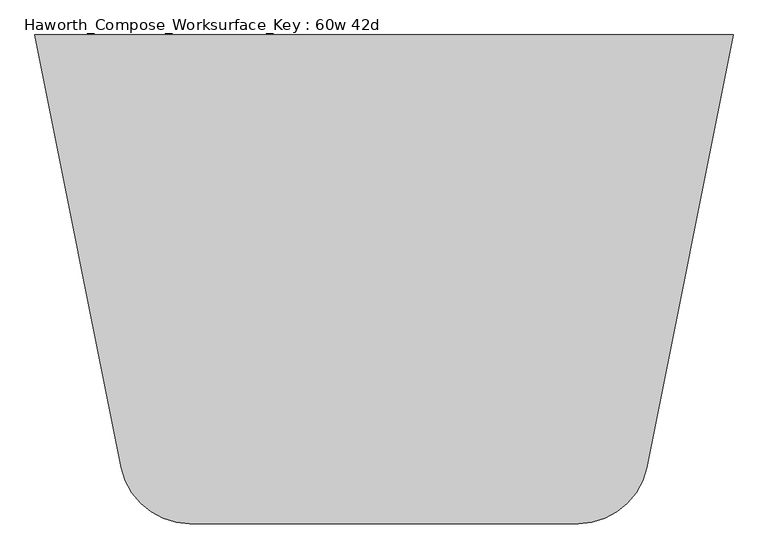
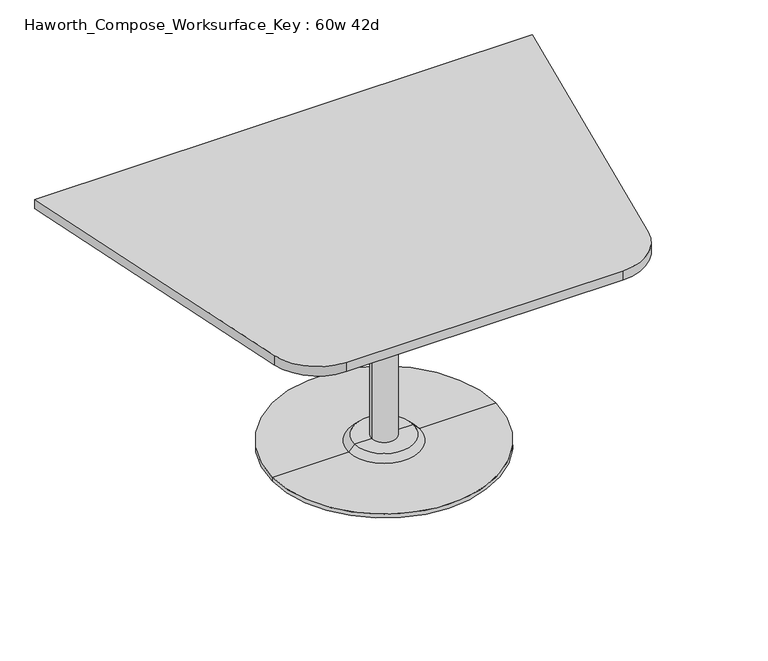
"""IFC4 building model written with IfcOpenShell, lengths in millimetres: furniture geometry, Haworth_Compose_Worksurface_Key : 60w 42d."""

from ifc_helpers import new_model, si_unit, point, frame, frame_2d, origin, place, context, project, spatial, polyline, circle_curve, trimmed, segment, composite_curve, outline, extrude, source, transform, mapped, element, save
from ifc_brep_helpers import plane_surface, cylinder_surface, revolved_surface, advanced_brep


def haworth_compose_worksurface_key_60w_42d_719d9a5f(model_context):
    return source(origin(), model_context, "Body", "SolidModel", [
        advanced_brep(
        [(38.1, 139.7, 706.4375), (-38.1, 139.7, 706.4375), (0.0, 139.7, 706.4375), (38.1, 139.7, 31.75), (-38.1, 139.7, 31.75), (89.723978, 139.7, 31.75), (-89.723978, 139.7, 31.75), (342.9, 139.7, 0.0), (-342.9, 139.7, 0.0), (-342.9, 139.7, 12.7), (342.9, 139.7, 12.7), (0.0, 139.7, 0.0), (108.773978, 139.7, 12.7), (-108.773978, 139.7, 12.7)],
        [
            (0, 1, circle_curve(frame((0.0, 139.7, 706.4375), z_axis=(0.0, 0.0, 1.0), x_axis=(-1.0, 0.0, 0.0)), 38.1)),
            (1, 2),
            (2, 0),
            (1, 0, circle_curve(frame((0.0, 139.7, 706.4375), z_axis=(0.0, 0.0, 1.0), x_axis=(-1.0, 0.0, 0.0)), 38.1)),
            (3, 4, circle_curve(frame((0.0, 139.7, 31.75), z_axis=(0.0, 0.0, 1.0), x_axis=(-1.0, 0.0, 0.0)), 38.1)),
            (4, 1),
            (0, 3),
            (4, 3, circle_curve(frame((0.0, 139.7, 31.75), z_axis=(0.0, 0.0, 1.0), x_axis=(-1.0, 0.0, 0.0)), 38.1)),
            (5, 6, circle_curve(frame((0.0, 139.7, 31.75), z_axis=(0.0, 0.0, 1.0), x_axis=(-1.0, 0.0, 0.0)), 89.723978)),
            (6, 4),
            (3, 5),
            (6, 5, circle_curve(frame((0.0, 139.7, 31.75), z_axis=(0.0, 0.0, 1.0), x_axis=(-1.0, 0.0, 0.0)), 89.723978)),
            (7, 8, circle_curve(frame((0.0, 139.7, 0.0), z_axis=(0.0, 0.0, 1.0), x_axis=(-1.0, 0.0, 0.0)), 342.9)),
            (8, 9),
            (9, 10, circle_curve(frame((0.0, 139.7, 12.7), z_axis=(0.0, 0.0, -1.0), x_axis=(-1.0, 0.0, 0.0)), 342.9)),
            (10, 7),
            (8, 7, circle_curve(frame((0.0, 139.7, 0.0), z_axis=(0.0, 0.0, 1.0), x_axis=(-1.0, 0.0, 0.0)), 342.9)),
            (10, 9, circle_curve(frame((0.0, 139.7, 12.7), z_axis=(0.0, 0.0, -1.0), x_axis=(-1.0, 0.0, 0.0)), 342.9)),
            (11, 8),
            (7, 11),
            (12, 13, circle_curve(frame((0.0, 139.7, 12.7), z_axis=(0.0, 0.0, 1.0), x_axis=(-1.0, 0.0, 0.0)), 108.773978)),
            (13, 6),
            (5, 12),
            (13, 12, circle_curve(frame((0.0, 139.7, 12.7), z_axis=(0.0, 0.0, 1.0), x_axis=(-1.0, 0.0, 0.0)), 108.773978)),
            (9, 13),
            (12, 10),
        ],
        [
            plane_surface(frame((0.0, 139.7, 706.4375), z_axis=(0.0, 0.0, 1.0), x_axis=(-1.0, 0.0, 0.0))),
            cylinder_surface(frame((0.0, 139.7, 889.623257), z_axis=(0.0, 0.0, -1.0), x_axis=(-1.0, 0.0, 0.0)), 38.1),
            plane_surface(frame((0.0, 139.7, 31.75), z_axis=(0.0, 0.0, 1.0), x_axis=(-1.0, 0.0, 0.0))),
            cylinder_surface(frame((0.0, 139.7, 889.623257), z_axis=(0.0, 0.0, -1.0), x_axis=(-1.0, 0.0, 0.0)), 342.9),
            plane_surface(frame((0.0, 139.7, 0.0), z_axis=(0.0, 0.0, -1.0), x_axis=(-1.0, 0.0, 0.0))),
            revolved_surface(polyline([(-89.723978, 139.7, 31.75), (-108.773978, 139.7, 12.7)]), (0.0, 139.7, 889.623257), (0.0, 0.0, -1.0)),
            plane_surface(frame((0.0, 139.7, 12.7), z_axis=(0.0, 0.0, 1.0), x_axis=(-1.0, 0.0, 0.0))),
        ],
        [
            (0, [[1, 2, 3]]),
            (0, [[4, -3, -2]]),
            (1, [[5, 6, -1, 7]]),
            (1, [[8, -7, -4, -6]]),
            (2, [[9, 10, -5, 11]]),
            (2, [[12, -11, -8, -10]]),
            (3, [[13, 14, 15, 16]]),
            (3, [[17, -16, 18, -14]]),
            (4, [[19, -13, 20]]),
            (4, [[-20, -17, -19]]),
            (5, [[21, 22, -9, 23]]),
            (5, [[24, -23, -12, -22]]),
            (6, [[-15, 25, -21, 26]]),
            (6, [[-18, -26, -24, -25]]),
        ],
    ),
        extrude(outline(composite_curve([segment(polyline([(762.0, 673.1), (573.1423802, -271.188099)]), True, "CONTINUOUS"), segment(trimmed(circle_curve(frame_2d((423.7018852, -241.3)), 152.4), [point((573.1423802, -271.188099))], [point((423.7018852, -393.7))], False, "CARTESIAN"), True, "CONTINUOUS"), segment(polyline([(423.7018852, -393.7), (-423.7018852, -393.7)]), True, "CONTINUOUS"), segment(trimmed(circle_curve(frame_2d((-423.7018852, -241.3)), 152.4), [point((-423.7018852, -393.7))], [point((-573.1423802, -271.188099))], False, "CARTESIAN"), True, "CONTINUOUS"), segment(polyline([(-573.1423802, -271.188099), (-762.0, 673.1), (762.0, 673.1)]), True, "CONTINUOUS")], self_intersect=False)), frame((0.0, 0.0, 706.4375), z_axis=(0.0, 0.0, 1.0), x_axis=(1.0, 0.0, 0.0)), (0.0, 0.0, 1.0), 30.1625),
    ])


if __name__ == "__main__":
    model = new_model("IFC4")
    model_context = context("Model", 3, world=origin())
    ifc_project = project(units=[si_unit("LENGTHUNIT", "METRE", prefix="MILLI")], contexts=[model_context])
    site = spatial("IfcSite", under=ifc_project)
    building = spatial("IfcBuilding", under=site)
    placement = place(None, origin())
    haworth_compose_worksurface_key_60w_42d_shape = haworth_compose_worksurface_key_60w_42d_719d9a5f(model_context)
    element("IfcFurniture", 1, ObjectType="Haworth_Compose_Worksurface_Key : 60w 42d", at=placement, inside=building, context=model_context, shape_type="MappedRepresentation", body=[
        mapped(haworth_compose_worksurface_key_60w_42d_shape, transform((0.0, 0.0, 0.0), x_axis=(1.0, 0.0, 0.0), y_axis=(0.0, 1.0, 0.0), z_axis=(0.0, 0.0, 1.0))),
    ])
    save(model, "model.ifc")
